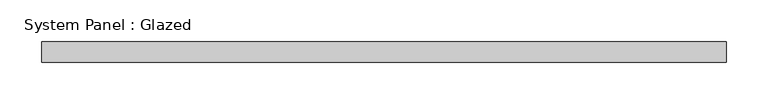
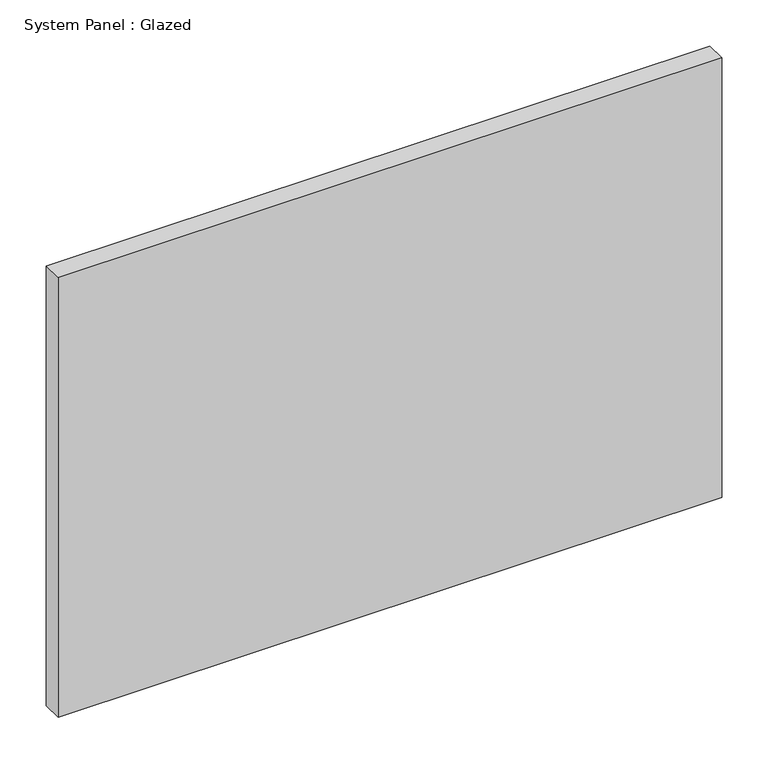
"""IFC4 building model written with IfcOpenShell, lengths in millimetres: plate geometry, System Panel : Glazed."""

import ifcopenshell
import ifcopenshell.guid

model = None  # the IFC model being written
_history = None  # IfcOwnerHistory: only IFC2X3 demands one
_inside = {}  # id of a spatial element -> (the spatial element, [elements in it])
_under = {}  # id of a project, library or spatial element -> (it, [spatial elements below it])
_declared = {}  # id of a project -> (the project, [libraries it declares])
_typed = {}  # id of a type object -> (the type object, [elements of that type])
_made_of = {}  # id of a material, layer set ... -> (it, [elements and type objects made of it])


def new_model(schema):
    """Start an empty IFC model of exactly this schema.

    Asked for "IFC4X3", IfcOpenShell would pick the latest addendum, in which some entities
    have other attributes; the version numbers below select the first issue.
    IFC2X3 requires an IfcOwnerHistory on every rooted entity: one is made here for all.
    """
    global model, _history
    if schema == "IFC4X3":
        model = ifcopenshell.file(schema_version=(4, 3, 0, 0))
    else:
        model = ifcopenshell.file(schema=schema)
    _inside.clear()
    _under.clear()
    _declared.clear()
    _typed.clear()
    _made_of.clear()
    _history = None
    if model.schema == "IFC2X3":
        org = make("IfcOrganization", Name="unknown")
        user = make(
            "IfcPersonAndOrganization",
            ThePerson=make("IfcPerson", FamilyName="unknown"),
            TheOrganization=org,
        )
        app = make(
            "IfcApplication",
            ApplicationDeveloper=org,
            Version="unknown",
            ApplicationFullName="unknown",
            ApplicationIdentifier="unknown",
        )
        _history = make(
            "IfcOwnerHistory",
            OwningUser=user,
            OwningApplication=app,
            ChangeAction="ADDED",
            CreationDate=0,
        )
    return model


def make(cls, **values):
    """One entity of the class cls with the attributes given. An attribute that is None is left unset."""
    return model.create_entity(
        cls, **{name: value for name, value in values.items() if value is not None}
    )


def rooted(cls, **values):
    """An entity with a GlobalId (a new one), such as an element, a storey or a relation."""
    return make(cls, GlobalId=ifcopenshell.guid.new(), OwnerHistory=_history, **values)


def si_unit(unit_type, name, prefix=None):
    """IfcSIUnit, for example si_unit("LENGTHUNIT", "METRE", prefix="MILLI")."""
    return make("IfcSIUnit", UnitType=unit_type, Prefix=prefix, Name=name)


def assignment(units):
    """IfcUnitAssignment: the units of a project."""
    return None if units is None else make("IfcUnitAssignment", Units=units)


def point(xyz):
    """IfcCartesianPoint."""
    return None if xyz is None else make("IfcCartesianPoint", Coordinates=xyz)


def direction(xyz):
    """IfcDirection."""
    return None if xyz is None else make("IfcDirection", DirectionRatios=xyz)


def frame(location, z_axis=None, x_axis=None):
    """IfcAxis2Placement3D, a coordinate frame: its origin and axes. An axis left out is left unset."""
    return make(
        "IfcAxis2Placement3D",
        Location=point(location),
        Axis=direction(z_axis),
        RefDirection=direction(x_axis),
    )


def origin():
    """The frame at (0, 0, 0) with its axes left unset."""
    return frame((0.0, 0.0, 0.0))


def origin_with_axes():
    """The frame at (0, 0, 0) with the z axis (0, 0, 1) and the x axis (1, 0, 0) written out."""
    return frame((0.0, 0.0, 0.0), z_axis=(0.0, 0.0, 1.0), x_axis=(1.0, 0.0, 0.0))


def place(relative_to, where):
    """IfcLocalPlacement: puts the frame where relative to a parent placement (None: the world)."""
    return make(
        "IfcLocalPlacement", PlacementRelTo=relative_to, RelativePlacement=where
    )


def context(
    kind, dimensions, precision=None, world=None, true_north=None, identifier=None
):
    """IfcGeometricRepresentationContext, for example the 3D "Model" context."""
    return make(
        "IfcGeometricRepresentationContext",
        ContextIdentifier=identifier,
        ContextType=kind,
        CoordinateSpaceDimension=dimensions,
        Precision=precision,
        WorldCoordinateSystem=world,
        TrueNorth=true_north,
    )


def project(units=None, contexts=None):
    """IfcProject with its units and contexts."""
    return rooted(
        "IfcProject",
        Name="project",
        RepresentationContexts=contexts,
        UnitsInContext=assignment(units),
    )


def spatial(cls, under=None, at=None, **own):
    """A site, building, storey or space (cls), placed at a placement, below another one or the project."""
    s = rooted(cls, ObjectPlacement=at, **own)
    if under is not None:
        _under.setdefault(under.id(), (under, []))[1].append(s)
    return s


def polyline(points):
    """IfcPolyline through the points."""
    return make("IfcPolyline", Points=[point(p) for p in points])


def outline(outer, holes=None, kind="AREA"):
    """IfcArbitraryClosedProfileDef: a profile drawn as a closed curve; with holes, ...WithVoids."""
    if holes is None:
        return make("IfcArbitraryClosedProfileDef", ProfileType=kind, OuterCurve=outer)
    return make(
        "IfcArbitraryProfileDefWithVoids",
        ProfileType=kind,
        OuterCurve=outer,
        InnerCurves=holes,
    )


def extrude(swept, where, along, depth):
    """IfcExtrudedAreaSolid: the profile swept, set in the frame where, extruded along a direction by depth."""
    return make(
        "IfcExtrudedAreaSolid",
        SweptArea=swept,
        Position=where,
        ExtrudedDirection=direction(along),
        Depth=depth,
    )


def shape(context_of_items, identifier, shape_type, items):
    """IfcShapeRepresentation: the items that make up one representation, for example the "Body"."""
    return make(
        "IfcShapeRepresentation",
        ContextOfItems=context_of_items,
        RepresentationIdentifier=identifier,
        RepresentationType=shape_type,
        Items=items,
    )


def source(mapping_origin, context_of_items, identifier, shape_type, items):
    """IfcRepresentationMap: a shape defined once, which mapped items show again and again."""
    return make(
        "IfcRepresentationMap",
        MappingOrigin=mapping_origin,
        MappedRepresentation=shape(context_of_items, identifier, shape_type, items),
    )


def transform(
    local_origin,
    x_axis=None,
    y_axis=None,
    z_axis=None,
    scale=None,
    scale2=None,
    scale3=None,
    uniform=True,
):
    """IfcCartesianTransformationOperator3D, or its non-uniform kind. x_axis, y_axis, z_axis: its Axis1, 2, 3."""
    if uniform:
        return make(
            "IfcCartesianTransformationOperator3D",
            Axis1=direction(x_axis),
            Axis2=direction(y_axis),
            LocalOrigin=point(local_origin),
            Scale=scale,
            Axis3=direction(z_axis),
        )
    return make(
        "IfcCartesianTransformationOperator3DnonUniform",
        Axis1=direction(x_axis),
        Axis2=direction(y_axis),
        LocalOrigin=point(local_origin),
        Scale=scale,
        Axis3=direction(z_axis),
        Scale2=scale2,
        Scale3=scale3,
    )


def mapped(mapping_source, mapping_target):
    """IfcMappedItem: shows the shape of a source again, moved by a transform."""
    return make(
        "IfcMappedItem", MappingSource=mapping_source, MappingTarget=mapping_target
    )


def made_of(thing, what):
    """Note that an element or type object is made of a material, layer set ...; save() writes the relation."""
    if what is not None:
        _made_of.setdefault(what.id(), (what, []))[1].append(thing)
    return thing


def element(
    cls,
    number,
    at=None,
    inside=None,
    cuts=None,
    type_object=None,
    material=None,
    context=None,
    identifier="Body",
    shape_type=None,
    held_by="IfcProductDefinitionShape",
    body=None,
    shapes=None,
    **own,
):
    """One element of the class cls, such as IfcWall. Its Tag is "e" and its number.

    at: its placement. inside: the storey or other place that contains it. cuts: it is an
    opening in that element (IfcRelVoidsElement). A single representation is given by context,
    identifier, shape_type and body (its items); several are given by shapes. held_by: the class
    of the entity that holds the representations. save() writes the other relations.
    """
    e = rooted(cls, Tag="e%d" % number, ObjectPlacement=at, **own)
    if body is not None:
        shapes = [shape(context, identifier, shape_type, body)]
    if shapes is not None:
        e.Representation = make(held_by, Representations=shapes)
    if inside is not None:
        _inside.setdefault(inside.id(), (inside, []))[1].append(e)
    if cuts is not None:
        rooted(
            "IfcRelVoidsElement", RelatingBuildingElement=cuts, RelatedOpeningElement=e
        )
    if type_object is not None:
        _typed.setdefault(type_object.id(), (type_object, []))[1].append(e)
    return made_of(e, material)


def aggregate(whole, parts):
    """IfcRelAggregates: a whole, such as a stair, and the parts it consists of."""
    return rooted("IfcRelAggregates", RelatingObject=whole, RelatedObjects=parts)


def save(model, path):
    """Write the relations noted so far, then the file.

    IfcRelAggregates (storeys below a building ...), IfcRelContainedInSpatialStructure (elements
    in a storey), IfcRelDefinesByType, IfcRelAssociatesMaterial and IfcRelDeclares: one each for
    every whole, place, type object, material and project.
    """
    for whole, parts in _under.values():
        aggregate(whole, parts)
    for where, things in _inside.values():
        rooted(
            "IfcRelContainedInSpatialStructure",
            RelatedElements=things,
            RelatingStructure=where,
        )
    for kind, things in _typed.values():
        rooted("IfcRelDefinesByType", RelatedObjects=things, RelatingType=kind)
    for what, things in _made_of.values():
        rooted("IfcRelAssociatesMaterial", RelatedObjects=things, RelatingMaterial=what)
    for by, libraries in _declared.values():
        rooted("IfcRelDeclares", RelatingContext=by, RelatedDefinitions=libraries)
    model.write(path)


def system_panel_glazed_f753bdff(model_context):
    return source(origin(), model_context, "Body", "SweptSolid", [
        extrude(outline(polyline([(412.5, 24.5), (-412.5, 24.5), (-412.5, 49.5), (412.5, 49.5), (412.5, 24.5)])), origin_with_axes(), (0.0, 0.0, 1.0), 578.3333333),
    ])


if __name__ == "__main__":
    model = new_model("IFC4")
    model_context = context("Model", 3, world=origin())
    ifc_project = project(units=[si_unit("LENGTHUNIT", "METRE", prefix="MILLI")], contexts=[model_context])
    site = spatial("IfcSite", under=ifc_project)
    building = spatial("IfcBuilding", under=site)
    placement = place(None, origin())
    system_panel_glazed_shape = system_panel_glazed_f753bdff(model_context)
    element("IfcPlate", 1, ObjectType="System Panel : Glazed", at=placement, inside=building, context=model_context, shape_type="MappedRepresentation", body=[
        mapped(system_panel_glazed_shape, transform((0.0, 0.0, 0.0), x_axis=(1.0, 0.0, 0.0), y_axis=(0.0, 1.0, 0.0), z_axis=(0.0, 0.0, 1.0))),
    ])
    save(model, "model.ifc")
